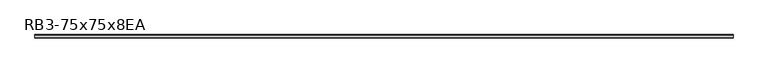
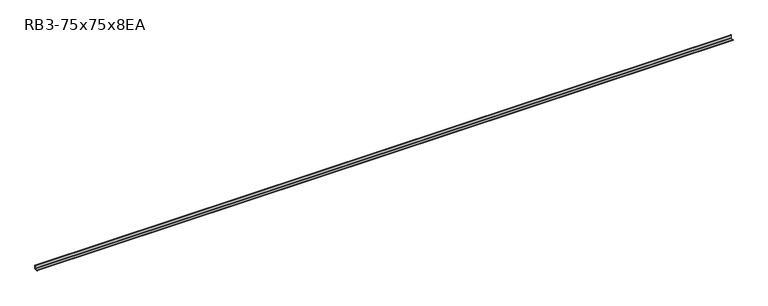
"""IFC4 building model written with IfcOpenShell, lengths in millimetres: member geometry, RB3-75x75x8EA."""

from ifc_helpers import new_model, si_unit, point, frame, frame_2d, origin, place, context, project, spatial, polyline, circle_curve, trimmed, segment, composite_curve, outline, extrude, source, transform, mapped, element, save


def rb3_75x75x8ea_c7dd0e91(model_context):
    return source(origin(), model_context, "Body", "SweptSolid", [
        extrude(outline(composite_curve([segment(polyline([(21.3, -21.3), (-53.7, -21.3), (-53.7, -18.3)]), True, "CONTINUOUS"), segment(trimmed(circle_curve(frame_2d((-48.7, -18.3)), 5.0), [point((-53.7, -18.3))], [point((-48.7, -13.3))], False, "CARTESIAN"), True, "CONTINUOUS"), segment(polyline([(-48.7, -13.3), (5.3, -13.3)]), True, "CONTINUOUS"), segment(trimmed(circle_curve(frame_2d((5.3, -5.3)), 8.0), [point((5.3, -13.3))], [point((13.3, -5.3))], True, "CARTESIAN"), True, "CONTINUOUS"), segment(polyline([(13.3, -5.3), (13.3, 48.7)]), True, "CONTINUOUS"), segment(trimmed(circle_curve(frame_2d((18.3, 48.7)), 5.0), [point((13.3, 48.7))], [point((18.3, 53.7))], False, "CARTESIAN"), True, "CONTINUOUS"), segment(polyline([(18.3, 53.7), (21.3, 53.7), (21.3, -21.3)]), True, "CONTINUOUS")], self_intersect=False)), frame((-7259.5, 0.0, 0.0), z_axis=(1.0, 0.0, 0.0), x_axis=(0.0, 1.0, 0.0)), (0.0, 0.0, 1.0), 14632.0),
    ])


if __name__ == "__main__":
    model = new_model("IFC4")
    model_context = context("Model", 3, world=origin())
    ifc_project = project(units=[si_unit("LENGTHUNIT", "METRE", prefix="MILLI")], contexts=[model_context])
    site = spatial("IfcSite", under=ifc_project)
    building = spatial("IfcBuilding", under=site)
    placement = place(None, origin())
    rb3_75x75x8ea_shape = rb3_75x75x8ea_c7dd0e91(model_context)
    element("IfcMember", 1, ObjectType="RB3-75x75x8EA", at=placement, inside=building, context=model_context, shape_type="MappedRepresentation", body=[
        mapped(rb3_75x75x8ea_shape, transform((0.0, 0.0, 0.0), x_axis=(1.0, 0.0, 0.0), y_axis=(0.0, 1.0, 0.0), z_axis=(0.0, 0.0, 1.0))),
    ])
    save(model, "model.ifc")
